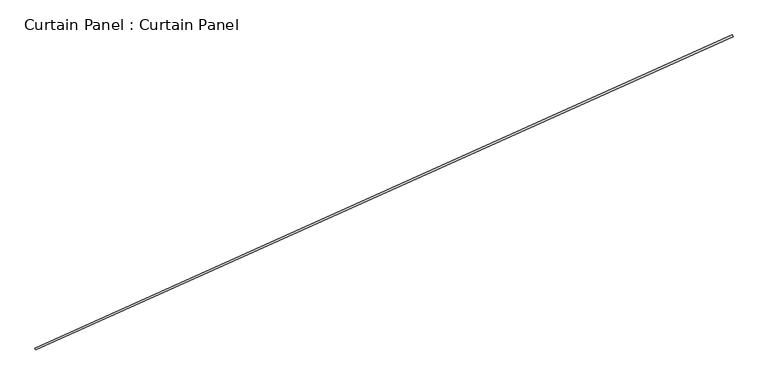
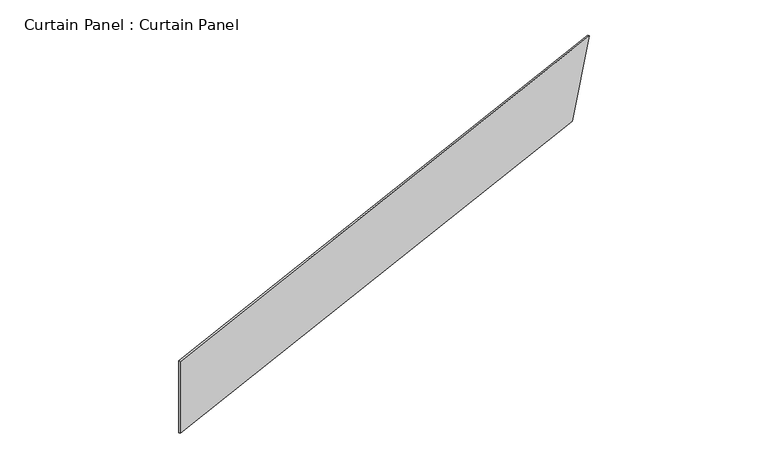
"""IFC4 building model written with IfcOpenShell, lengths in millimetres: plate geometry, Curtain Panel : Curtain Panel."""

from ifc_helpers import new_model, si_unit, frame, origin, place, context, project, spatial, polyline, outline, extrude, source, transform, mapped, element, save


def curtain_panel_curtain_panel_fdc3e359(model_context):
    return source(origin(), model_context, "Body", "SweptSolid", [
        extrude(outline(polyline([(0.0, 0.0), (0.0, -9320.9562098), (-1219.2, -9732.5263493), (-1219.2, 0.0), (0.0, 0.0)])), frame((36557.5770857, -12836.3437505, 25603.2), z_axis=(-0.41023197127835825, 0.9119812112873117, 0.0), x_axis=(0.0, 0.0, -1.0)), (0.0, 0.0, 1.0), 25.4),
    ])


if __name__ == "__main__":
    model = new_model("IFC4")
    model_context = context("Model", 3, world=origin())
    ifc_project = project(units=[si_unit("LENGTHUNIT", "METRE", prefix="MILLI")], contexts=[model_context])
    site = spatial("IfcSite", under=ifc_project)
    building = spatial("IfcBuilding", under=site)
    placement = place(None, origin())
    curtain_panel_curtain_panel_shape = curtain_panel_curtain_panel_fdc3e359(model_context)
    element("IfcPlate", 1, ObjectType="Curtain Panel : Curtain Panel", at=placement, inside=building, context=model_context, shape_type="MappedRepresentation", body=[
        mapped(curtain_panel_curtain_panel_shape, transform((0.0, 0.0, 0.0), x_axis=(1.0, 0.0, 0.0), y_axis=(0.0, 1.0, 0.0), z_axis=(0.0, 0.0, 1.0))),
    ])
    save(model, "model.ifc")
